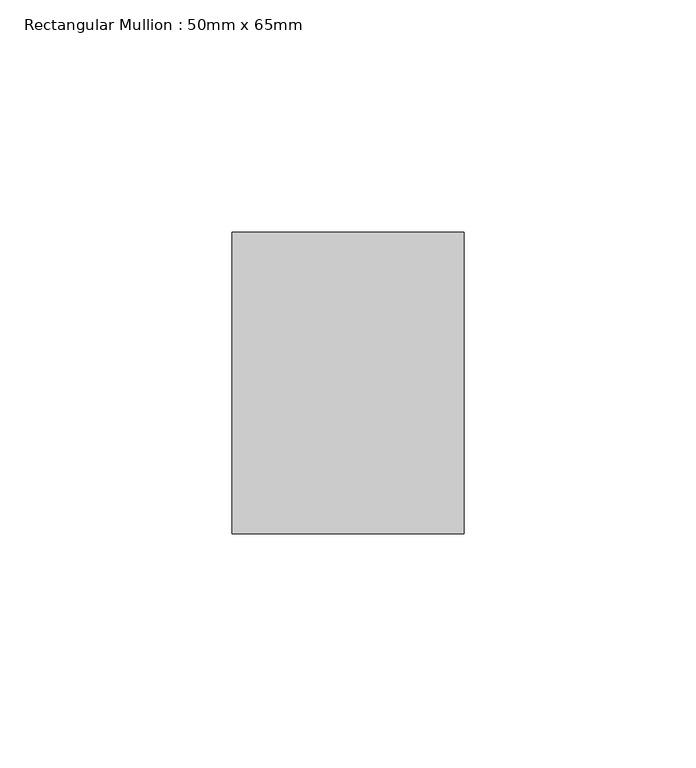
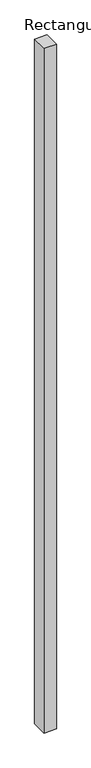
"""IFC4 building model written with IfcOpenShell, lengths in millimetres: member geometry, Rectangular Mullion : 50mm x 65mm."""

from ifc_helpers import new_model, si_unit, frame, origin, place, context, project, spatial, polyline, outline, extrude, source, transform, mapped, element, save


def rectangular_mullion_50mm_x_65mm_78d0f0f8(model_context):
    return source(origin(), model_context, "Body", "SweptSolid", [
        extrude(outline(polyline([(25.0, 32.5), (25.0, -32.5), (-25.0, -32.5), (-25.0, 32.5), (25.0, 32.5)])), frame((0.0, 0.0, -2924.9798156), z_axis=(0.0, 0.0, 1.0), x_axis=(1.0, 0.0, 0.0)), (0.0, 0.0, 1.0), 2924.9798156),
    ])


if __name__ == "__main__":
    model = new_model("IFC4")
    model_context = context("Model", 3, world=origin())
    ifc_project = project(units=[si_unit("LENGTHUNIT", "METRE", prefix="MILLI")], contexts=[model_context])
    site = spatial("IfcSite", under=ifc_project)
    building = spatial("IfcBuilding", under=site)
    placement = place(None, origin())
    rectangular_mullion_50mm_x_65mm_shape = rectangular_mullion_50mm_x_65mm_78d0f0f8(model_context)
    element("IfcMember", 1, ObjectType="Rectangular Mullion : 50mm x 65mm", at=placement, inside=building, context=model_context, shape_type="MappedRepresentation", body=[
        mapped(rectangular_mullion_50mm_x_65mm_shape, transform((0.0, 0.0, 0.0), x_axis=(1.0, 0.0, 0.0), y_axis=(0.0, 1.0, 0.0), z_axis=(0.0, 0.0, 1.0))),
    ])
    save(model, "model.ifc")
